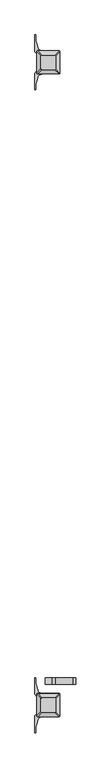
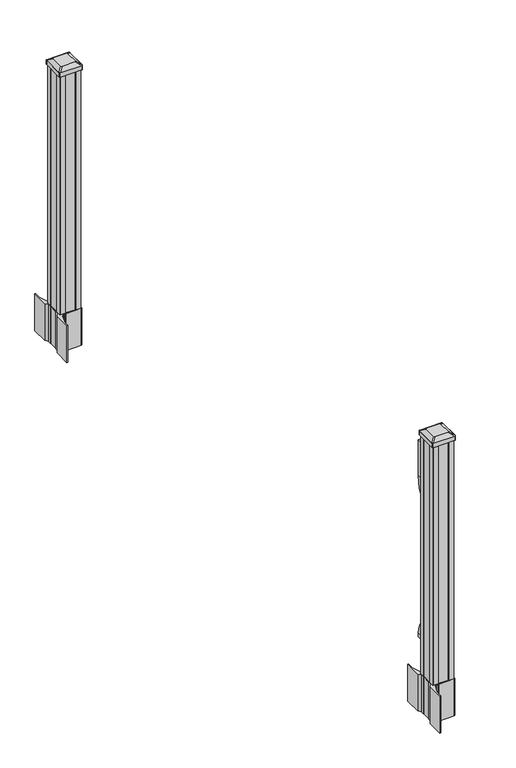
"""IFC4 building model written with IfcOpenShell, lengths in millimetres: railing geometry."""

import ifcopenshell
import ifcopenshell.guid

model = None  # the IFC model being written
_history = None  # IfcOwnerHistory: only IFC2X3 demands one
_inside = {}  # id of a spatial element -> (the spatial element, [elements in it])
_under = {}  # id of a project, library or spatial element -> (it, [spatial elements below it])
_declared = {}  # id of a project -> (the project, [libraries it declares])
_typed = {}  # id of a type object -> (the type object, [elements of that type])
_made_of = {}  # id of a material, layer set ... -> (it, [elements and type objects made of it])


def new_model(schema):
    """Start an empty IFC model of exactly this schema.

    Asked for "IFC4X3", IfcOpenShell would pick the latest addendum, in which some entities
    have other attributes; the version numbers below select the first issue.
    IFC2X3 requires an IfcOwnerHistory on every rooted entity: one is made here for all.
    """
    global model, _history
    if schema == "IFC4X3":
        model = ifcopenshell.file(schema_version=(4, 3, 0, 0))
    else:
        model = ifcopenshell.file(schema=schema)
    _inside.clear()
    _under.clear()
    _declared.clear()
    _typed.clear()
    _made_of.clear()
    _history = None
    if model.schema == "IFC2X3":
        org = make("IfcOrganization", Name="unknown")
        user = make(
            "IfcPersonAndOrganization",
            ThePerson=make("IfcPerson", FamilyName="unknown"),
            TheOrganization=org,
        )
        app = make(
            "IfcApplication",
            ApplicationDeveloper=org,
            Version="unknown",
            ApplicationFullName="unknown",
            ApplicationIdentifier="unknown",
        )
        _history = make(
            "IfcOwnerHistory",
            OwningUser=user,
            OwningApplication=app,
            ChangeAction="ADDED",
            CreationDate=0,
        )
    return model


def make(cls, **values):
    """One entity of the class cls with the attributes given. An attribute that is None is left unset."""
    return model.create_entity(
        cls, **{name: value for name, value in values.items() if value is not None}
    )


def rooted(cls, **values):
    """An entity with a GlobalId (a new one), such as an element, a storey or a relation."""
    return make(cls, GlobalId=ifcopenshell.guid.new(), OwnerHistory=_history, **values)


def si_unit(unit_type, name, prefix=None):
    """IfcSIUnit, for example si_unit("LENGTHUNIT", "METRE", prefix="MILLI")."""
    return make("IfcSIUnit", UnitType=unit_type, Prefix=prefix, Name=name)


def assignment(units):
    """IfcUnitAssignment: the units of a project."""
    return None if units is None else make("IfcUnitAssignment", Units=units)


def point(xyz):
    """IfcCartesianPoint."""
    return None if xyz is None else make("IfcCartesianPoint", Coordinates=xyz)


def direction(xyz):
    """IfcDirection."""
    return None if xyz is None else make("IfcDirection", DirectionRatios=xyz)


def frame(location, z_axis=None, x_axis=None):
    """IfcAxis2Placement3D, a coordinate frame: its origin and axes. An axis left out is left unset."""
    return make(
        "IfcAxis2Placement3D",
        Location=point(location),
        Axis=direction(z_axis),
        RefDirection=direction(x_axis),
    )


def frame_2d(location, x_axis=None):
    """IfcAxis2Placement2D, a coordinate frame in the plane: its origin and x axis."""
    return make(
        "IfcAxis2Placement2D", Location=point(location), RefDirection=direction(x_axis)
    )


def origin():
    """The frame at (0, 0, 0) with its axes left unset."""
    return frame((0.0, 0.0, 0.0))


def origin_with_axes():
    """The frame at (0, 0, 0) with the z axis (0, 0, 1) and the x axis (1, 0, 0) written out."""
    return frame((0.0, 0.0, 0.0), z_axis=(0.0, 0.0, 1.0), x_axis=(1.0, 0.0, 0.0))


def place(relative_to, where):
    """IfcLocalPlacement: puts the frame where relative to a parent placement (None: the world)."""
    return make(
        "IfcLocalPlacement", PlacementRelTo=relative_to, RelativePlacement=where
    )


def context(
    kind, dimensions, precision=None, world=None, true_north=None, identifier=None
):
    """IfcGeometricRepresentationContext, for example the 3D "Model" context."""
    return make(
        "IfcGeometricRepresentationContext",
        ContextIdentifier=identifier,
        ContextType=kind,
        CoordinateSpaceDimension=dimensions,
        Precision=precision,
        WorldCoordinateSystem=world,
        TrueNorth=true_north,
    )


def project(units=None, contexts=None):
    """IfcProject with its units and contexts."""
    return rooted(
        "IfcProject",
        Name="project",
        RepresentationContexts=contexts,
        UnitsInContext=assignment(units),
    )


def spatial(cls, under=None, at=None, **own):
    """A site, building, storey or space (cls), placed at a placement, below another one or the project."""
    s = rooted(cls, ObjectPlacement=at, **own)
    if under is not None:
        _under.setdefault(under.id(), (under, []))[1].append(s)
    return s


def polyline(points):
    """IfcPolyline through the points."""
    return make("IfcPolyline", Points=[point(p) for p in points])


def circle_curve(where, radius):
    """IfcCircle in the frame where."""
    return make("IfcCircle", Position=where, Radius=radius)


def trimmed(basis, trim1, trim2, sense, master):
    """IfcTrimmedCurve: the piece of a basis curve between two trims."""
    return make(
        "IfcTrimmedCurve",
        BasisCurve=basis,
        Trim1=trim1,
        Trim2=trim2,
        SenseAgreement=sense,
        MasterRepresentation=master,
    )


def segment(curve, same_sense, transition):
    """IfcCompositeCurveSegment."""
    return make(
        "IfcCompositeCurveSegment",
        Transition=transition,
        SameSense=same_sense,
        ParentCurve=curve,
    )


def composite_curve(segments, self_intersect=None):
    """IfcCompositeCurve: segments joined end to end."""
    return make("IfcCompositeCurve", Segments=segments, SelfIntersect=self_intersect)


def outline(outer, holes=None, kind="AREA"):
    """IfcArbitraryClosedProfileDef: a profile drawn as a closed curve; with holes, ...WithVoids."""
    if holes is None:
        return make("IfcArbitraryClosedProfileDef", ProfileType=kind, OuterCurve=outer)
    return make(
        "IfcArbitraryProfileDefWithVoids",
        ProfileType=kind,
        OuterCurve=outer,
        InnerCurves=holes,
    )


def extrude(swept, where, along, depth):
    """IfcExtrudedAreaSolid: the profile swept, set in the frame where, extruded along a direction by depth."""
    return make(
        "IfcExtrudedAreaSolid",
        SweptArea=swept,
        Position=where,
        ExtrudedDirection=direction(along),
        Depth=depth,
    )


def shape(context_of_items, identifier, shape_type, items):
    """IfcShapeRepresentation: the items that make up one representation, for example the "Body"."""
    return make(
        "IfcShapeRepresentation",
        ContextOfItems=context_of_items,
        RepresentationIdentifier=identifier,
        RepresentationType=shape_type,
        Items=items,
    )


def source(mapping_origin, context_of_items, identifier, shape_type, items):
    """IfcRepresentationMap: a shape defined once, which mapped items show again and again."""
    return make(
        "IfcRepresentationMap",
        MappingOrigin=mapping_origin,
        MappedRepresentation=shape(context_of_items, identifier, shape_type, items),
    )


def transform(
    local_origin,
    x_axis=None,
    y_axis=None,
    z_axis=None,
    scale=None,
    scale2=None,
    scale3=None,
    uniform=True,
):
    """IfcCartesianTransformationOperator3D, or its non-uniform kind. x_axis, y_axis, z_axis: its Axis1, 2, 3."""
    if uniform:
        return make(
            "IfcCartesianTransformationOperator3D",
            Axis1=direction(x_axis),
            Axis2=direction(y_axis),
            LocalOrigin=point(local_origin),
            Scale=scale,
            Axis3=direction(z_axis),
        )
    return make(
        "IfcCartesianTransformationOperator3DnonUniform",
        Axis1=direction(x_axis),
        Axis2=direction(y_axis),
        LocalOrigin=point(local_origin),
        Scale=scale,
        Axis3=direction(z_axis),
        Scale2=scale2,
        Scale3=scale3,
    )


def mapped(mapping_source, mapping_target):
    """IfcMappedItem: shows the shape of a source again, moved by a transform."""
    return make(
        "IfcMappedItem", MappingSource=mapping_source, MappingTarget=mapping_target
    )


def made_of(thing, what):
    """Note that an element or type object is made of a material, layer set ...; save() writes the relation."""
    if what is not None:
        _made_of.setdefault(what.id(), (what, []))[1].append(thing)
    return thing


def element(
    cls,
    number,
    at=None,
    inside=None,
    cuts=None,
    type_object=None,
    material=None,
    context=None,
    identifier="Body",
    shape_type=None,
    held_by="IfcProductDefinitionShape",
    body=None,
    shapes=None,
    **own,
):
    """One element of the class cls, such as IfcWall. Its Tag is "e" and its number.

    at: its placement. inside: the storey or other place that contains it. cuts: it is an
    opening in that element (IfcRelVoidsElement). A single representation is given by context,
    identifier, shape_type and body (its items); several are given by shapes. held_by: the class
    of the entity that holds the representations. save() writes the other relations.
    """
    e = rooted(cls, Tag="e%d" % number, ObjectPlacement=at, **own)
    if body is not None:
        shapes = [shape(context, identifier, shape_type, body)]
    if shapes is not None:
        e.Representation = make(held_by, Representations=shapes)
    if inside is not None:
        _inside.setdefault(inside.id(), (inside, []))[1].append(e)
    if cuts is not None:
        rooted(
            "IfcRelVoidsElement", RelatingBuildingElement=cuts, RelatedOpeningElement=e
        )
    if type_object is not None:
        _typed.setdefault(type_object.id(), (type_object, []))[1].append(e)
    return made_of(e, material)


def aggregate(whole, parts):
    """IfcRelAggregates: a whole, such as a stair, and the parts it consists of."""
    return rooted("IfcRelAggregates", RelatingObject=whole, RelatedObjects=parts)


def save(model, path):
    """Write the relations noted so far, then the file.

    IfcRelAggregates (storeys below a building ...), IfcRelContainedInSpatialStructure (elements
    in a storey), IfcRelDefinesByType, IfcRelAssociatesMaterial and IfcRelDeclares: one each for
    every whole, place, type object, material and project.
    """
    for whole, parts in _under.values():
        aggregate(whole, parts)
    for where, things in _inside.values():
        rooted(
            "IfcRelContainedInSpatialStructure",
            RelatedElements=things,
            RelatingStructure=where,
        )
    for kind, things in _typed.values():
        rooted("IfcRelDefinesByType", RelatedObjects=things, RelatingType=kind)
    for what, things in _made_of.values():
        rooted("IfcRelAssociatesMaterial", RelatedObjects=things, RelatingMaterial=what)
    for by, libraries in _declared.values():
        rooted("IfcRelDeclares", RelatingContext=by, RelatedDefinitions=libraries)
    model.write(path)


def plane_surface(at):
    """IfcPlane: the flat surface through the origin of the frame at, square to its z axis."""
    return make("IfcPlane", Position=at)


def extruded_surface(curve, direction_of_extrusion, depth):
    """IfcSurfaceOfLinearExtrusion: the curve pushed along a direction by depth."""
    return make(
        "IfcSurfaceOfLinearExtrusion",
        SweptCurve=make("IfcArbitraryOpenProfileDef", ProfileType="CURVE", Curve=curve),
        ExtrudedDirection=direction(direction_of_extrusion),
        Depth=depth,
    )


def advanced_brep(points, edges, surfaces, faces):
    """IfcAdvancedBrep: a solid bounded by faces that lie on surfaces and meet in shared edges.

    An edge is (start, end): straight between two places in points (the first is 0);
    or (start, end, curve); or (start, end, curve, False) where it runs against its curve.
    A face is (place in surfaces, loops), or (place, loops, False) where it looks against
    its surface's normal. A loop lists edges by number (the first is 1), with a minus sign
    where the edge is run from its end to its start. The first loop is the outer one.
    """
    corners = [point(p) for p in points]
    vertices = [make("IfcVertexPoint", VertexGeometry=c) for c in corners]
    made = []
    for start, end, *more in edges:
        made.append(
            make(
                "IfcEdgeCurve",
                EdgeStart=vertices[start],
                EdgeEnd=vertices[end],
                EdgeGeometry=more[0] if more else make("IfcPolyline", Points=[corners[start], corners[end]]),
                SameSense=more[1] if len(more) > 1 else True,
            )
        )
    hull = []
    for where, loops, *sense in faces:
        bounds = []
        for j, loop in enumerate(loops):
            ring = [make("IfcOrientedEdge", EdgeElement=made[abs(k) - 1], Orientation=k > 0) for k in loop]
            bounds.append(
                make(
                    "IfcFaceOuterBound" if j == 0 else "IfcFaceBound",
                    Bound=make("IfcEdgeLoop", EdgeList=ring),
                    Orientation=True,
                )
            )
        hull.append(make("IfcAdvancedFace", Bounds=bounds, FaceSurface=surfaces[where], SameSense=sense[0] if sense else True))
    return make("IfcAdvancedBrep", Outer=make("IfcClosedShell", CfsFaces=hull))


def railing_0a5f95dd(model_context):
    return source(origin(), model_context, "Body", "SolidModel", [
        extrude(outline(composite_curve([segment(polyline([(768.63216, 944.5142498), (914.4, 944.5142498), (914.4, 919.1142498), (768.63216, 919.1142498)]), True, "CONTINUOUS"), segment(trimmed(circle_curve(frame_2d((768.63216, 1291.8142498)), 372.7), [point((768.63216, 919.1142498))], [point((659.6652257, 935.3994673))], False, "CARTESIAN"), True, "CONTINUOUS"), segment(polyline([(659.6652257, 935.3994673), (437.8121964, 1003.2267451)]), True, "CONTINUOUS"), segment(trimmed(circle_curve(frame_2d((359.6612397, 747.6064839)), 267.3), [point((437.8121964, 1003.2267451))], [point((181.5522516, 946.9215067))], True, "CARTESIAN"), True, "CONTINUOUS"), segment(polyline([(181.5522516, 946.9215067), (175.3955374, 941.4198334)]), True, "CONTINUOUS"), segment(trimmed(circle_curve(frame_2d((116.9587313, 1006.8142498)), 87.7), [point((175.3955374, 941.4198334))], [point((116.9587313, 919.1142498))], False, "CARTESIAN"), True, "CONTINUOUS"), segment(polyline([(116.9587313, 919.1142498), (101.5958781, 919.1142498), (101.5958781, 944.5142498), (116.9587313, 944.5142498)]), True, "CONTINUOUS"), segment(trimmed(circle_curve(frame_2d((116.9587313, 1006.8142498)), 62.3), [point((116.9587313, 944.5142498))], [point((158.4708524, 960.3596074))], True, "CARTESIAN"), True, "CONTINUOUS"), segment(polyline([(158.4708524, 960.3596074), (164.6275666, 965.8612807)]), True, "CONTINUOUS"), segment(trimmed(circle_curve(frame_2d((359.6612397, 747.6064839)), 292.7), [point((164.6275666, 965.8612807))], [point((445.2384377, 1027.5168859))], False, "CARTESIAN"), True, "CONTINUOUS"), segment(polyline([(445.2384377, 1027.5168859), (667.091467, 959.6896081)]), True, "CONTINUOUS"), segment(trimmed(circle_curve(frame_2d((768.63216, 1291.8142498)), 347.3), [point((667.091467, 959.6896081))], [point((768.63216, 944.5142498))], True, "CARTESIAN"), True, "CONTINUOUS")], self_intersect=False)), frame((0.0, -48158.0951011, 0.0), z_axis=(0.0, 1.0, 0.0), x_axis=(0.0, 0.0, 1.0)), (0.0, 0.0, 1.0), 25.4),
        extrude(outline(composite_curve([segment(polyline([(974.5497498, -45735.303196), (976.1372498, -45736.065196), (976.1372498, -45758.8671241), (972.7642728, -45762.2401011), (911.304602, -45762.2401011), (911.304602, -45763.1608511), (905.9870581, -45763.1608511), (905.9870581, -45764.6151058), (900.9025284, -45764.6151058), (900.9025284, -45765.8991297), (899.2352561, -45765.8991297)]), True, "CONTINUOUS"), segment(trimmed(circle_curve(frame_2d((899.2352561, -45772.9585895)), 7.0594599), [point((899.2352561, -45765.8991297))], [point((892.4679933, -45770.9485828))], True, "CARTESIAN"), True, "CONTINUOUS"), segment(polyline([(892.4679933, -45770.9485828), (884.593799, -45797.4593119)]), True, "CONTINUOUS"), segment(trimmed(circle_curve(frame_2d((939.3783123, -45813.7313616)), 57.15), [point((884.593799, -45797.4593119))], [point((882.2283123, -45813.7313616))], True, "CARTESIAN"), True, "CONTINUOUS"), segment(polyline([(882.2283123, -45813.7313616), (882.2283123, -45825.7401011), (879.2283123, -45825.7401011), (879.2283123, -45760.6526011), (887.4912498, -45749.3143098), (887.4912498, -45736.065196), (889.0787498, -45735.303196), (889.0787498, -45700.5310063), (887.4912498, -45699.7690063), (887.4912498, -45686.5198925), (879.2283123, -45675.1816011), (879.2283123, -45610.0941011), (882.2283123, -45610.0941011), (882.2283123, -45622.1028407)]), True, "CONTINUOUS"), segment(trimmed(circle_curve(frame_2d((939.3783123, -45622.1028407)), 57.15), [point((882.2283123, -45622.1028407))], [point((884.593799, -45638.3748904))], True, "CARTESIAN"), True, "CONTINUOUS"), segment(polyline([(884.593799, -45638.3748904), (892.4679933, -45664.8856194)]), True, "CONTINUOUS"), segment(trimmed(circle_curve(frame_2d((899.2352561, -45662.8756128)), 7.0594599), [point((892.4679933, -45664.8856194))], [point((899.2352561, -45669.9350726))], True, "CARTESIAN"), True, "CONTINUOUS"), segment(polyline([(899.2352561, -45669.9350726), (900.9025284, -45669.9350726), (900.9025284, -45671.2190965), (905.9870581, -45671.2190965), (905.9870581, -45672.6733511), (911.304602, -45672.6733511), (911.304602, -45673.5941011), (972.7642728, -45673.5941011), (976.1372498, -45676.9670782), (976.1372498, -45699.7690063), (974.5497498, -45700.5310063), (974.5497498, -45735.303196)]), True, "CONTINUOUS")], self_intersect=False), holes=[polyline([(890.5392498, -45678.2296011), (890.5392498, -45757.6046011), (892.1267498, -45759.1921011), (929.0510325, -45759.1921011), (971.5017498, -45759.1921011), (973.0892498, -45757.6046011), (973.0892498, -45678.2296011), (971.5017498, -45676.6421011), (929.0510325, -45676.6421011), (892.1267498, -45676.6421011), (890.5392498, -45678.2296011)])]), frame((0.0, 0.0, -152.4), z_axis=(0.0, 0.0, 1.0), x_axis=(1.0, 0.0, 0.0)), (0.0, 0.0, 1.0), 152.4),
        advanced_brep(
        [(906.0173748, -45746.8889761, 1012.825), (957.6111248, -45746.8889761, 1012.825), (960.7861248, -45743.7139761, 1012.825), (960.7861248, -45692.1202261, 1012.825), (957.6111248, -45688.9452261, 1012.825), (906.0173748, -45688.9452261, 1012.825), (902.8423748, -45692.1202261, 1012.825), (902.8423748, -45743.7139761, 1012.825), (889.7454998, -45763.1608511, 1001.522), (886.5704998, -45759.9858511, 1001.522), (886.5704998, -45675.8483511, 1001.522), (889.7454998, -45672.6733511, 1001.522), (973.8829998, -45672.6733511, 1001.522), (977.0579998, -45675.8483511, 1001.522), (977.0579998, -45759.9858511, 1001.522), (973.8829998, -45763.1608511, 1001.522)],
        [
            (0, 1),
            (1, 2, circle_curve(frame((957.6111248, -45743.7139761, 1012.825), z_axis=(0.0, 0.0, 1.0), x_axis=(0.0, 1.0, 0.0)), 3.175)),
            (2, 3),
            (3, 4, circle_curve(frame((957.6111248, -45692.1202261, 1012.825), z_axis=(0.0, 0.0, 1.0), x_axis=(0.0, 1.0, 0.0)), 3.175)),
            (4, 5),
            (5, 6, circle_curve(frame((906.0173748, -45692.1202261, 1012.825), z_axis=(0.0, 0.0, 1.0), x_axis=(0.0, 1.0, 0.0)), 3.175)),
            (6, 7),
            (7, 0, circle_curve(frame((906.0173748, -45743.7139761, 1012.825), z_axis=(0.0, 0.0, 1.0), x_axis=(0.0, 1.0, 0.0)), 3.175)),
            (8, 9, circle_curve(frame((889.7454998, -45759.9858511, 1001.522), z_axis=(0.0, 0.0, -1.0), x_axis=(0.0, 1.0, 0.0)), 3.175)),
            (9, 10),
            (10, 11, circle_curve(frame((889.7454998, -45675.8483511, 1001.522), z_axis=(0.0, 0.0, -1.0), x_axis=(0.0, 1.0, 0.0)), 3.175)),
            (11, 12),
            (12, 13, circle_curve(frame((973.8829998, -45675.8483511, 1001.522), z_axis=(0.0, 0.0, -1.0), x_axis=(0.0, 1.0, 0.0)), 3.175)),
            (13, 14),
            (14, 15, circle_curve(frame((973.8829998, -45759.9858511, 1001.522), z_axis=(0.0, 0.0, -1.0), x_axis=(0.0, 1.0, 0.0)), 3.175)),
            (15, 8),
            (8, 0),
            (7, 9),
            (6, 10),
            (5, 11),
            (4, 12),
            (3, 13),
            (2, 14),
            (1, 15),
        ],
        [
            plane_surface(frame((931.8142498, -45717.9171011, 1012.825), z_axis=(0.0, 0.0, 1.0), x_axis=(-1.0, 0.0, 0.0))),
            plane_surface(frame((931.8142498, -45717.9171011, 1001.522), z_axis=(0.0, 0.0, -1.0), x_axis=(-1.0, 0.0, 0.0))),
            extruded_surface(trimmed(circle_curve(frame((906.0173748, -45743.7139761, 1012.825), z_axis=(0.0, 0.0, -1.0), x_axis=(0.0, 1.0, 0.0)), 3.175), [point((906.0173748, -45746.8889761, 1012.825))], [point((902.8423748, -45743.7139761, 1012.825))], True, "CARTESIAN"), (-16.271875000000023, -16.271874999998545, -11.302999999999997), 25.637972638865254),
            plane_surface(frame((886.5704998, -45717.9171011, 1001.522), z_axis=(-0.5705009161540779, 0.0, 0.8212969649690408), x_axis=(0.0, 1.0, 0.0))),
            extruded_surface(trimmed(circle_curve(frame((906.0173748, -45692.1202261, 1012.825), z_axis=(0.0, 0.0, -1.0), x_axis=(0.0, 1.0, 0.0)), 3.175), [point((902.8423748, -45692.1202261, 1012.825))], [point((906.0173748, -45688.9452261, 1012.825))], True, "CARTESIAN"), (-16.271875000000023, 16.271874999998545, -11.302999999999997), 25.637972638865254),
            plane_surface(frame((931.8142498, -45672.6733511, 1001.522), z_axis=(0.0, 0.5705009161540291, 0.8212969649690747), x_axis=(1.0, 0.0, 0.0))),
            extruded_surface(trimmed(circle_curve(frame((957.6111248, -45692.1202261, 1012.825), z_axis=(0.0, 0.0, -1.0), x_axis=(0.0, 1.0, 0.0)), 3.175), [point((957.6111248, -45688.9452261, 1012.825))], [point((960.7861248, -45692.1202261, 1012.825))], True, "CARTESIAN"), (16.271875000000023, 16.271874999998545, -11.302999999999997), 25.637972638865254),
            plane_surface(frame((977.0579998, -45717.9171011, 1001.522), z_axis=(0.5705009161540141, 0.0, 0.8212969649690851), x_axis=(0.0, -1.0, 0.0))),
            extruded_surface(trimmed(circle_curve(frame((957.6111248, -45743.7139761, 1012.825), z_axis=(0.0, 0.0, -1.0), x_axis=(0.0, 1.0, 0.0)), 3.175), [point((960.7861248, -45743.7139761, 1012.825))], [point((957.6111248, -45746.8889761, 1012.825))], True, "CARTESIAN"), (16.271875000000023, -16.271874999998545, -11.302999999999997), 25.637972638865254),
            plane_surface(frame((931.8142498, -45763.1608511, 1001.522), z_axis=(0.0, -0.570500916154034, 0.8212969649690713), x_axis=(-1.0, 0.0, 0.0))),
        ],
        [
            (0, [[1, 2, 3, 4, 5, 6, 7, 8]]),
            (1, [[9, 10, 11, 12, 13, 14, 15, 16]]),
            (2, [[17, -8, 18, -9]]),
            (3, [[-18, -7, 19, -10]]),
            (4, [[-19, -6, 20, -11]]),
            (5, [[-20, -5, 21, -12]]),
            (6, [[-21, -4, 22, -13]]),
            (7, [[-22, -3, 23, -14]]),
            (8, [[-23, -2, 24, -15]]),
            (9, [[-24, -1, -17, -16]]),
        ],
    ),
        extrude(outline(composite_curve([segment(trimmed(circle_curve(frame_2d((889.7454998, -45759.9858511)), 3.175), [point((889.7454998, -45763.1608511))], [point((886.5704998, -45759.9858511))], False, "CARTESIAN"), True, "CONTINUOUS"), segment(polyline([(886.5704998, -45759.9858511), (886.5704998, -45675.8483511)]), True, "CONTINUOUS"), segment(trimmed(circle_curve(frame_2d((889.7454998, -45675.8483511)), 3.175), [point((886.5704998, -45675.8483511))], [point((889.7454998, -45672.6733511))], False, "CARTESIAN"), True, "CONTINUOUS"), segment(polyline([(889.7454998, -45672.6733511), (973.8829998, -45672.6733511)]), True, "CONTINUOUS"), segment(trimmed(circle_curve(frame_2d((973.8829998, -45675.8483511)), 3.175), [point((973.8829998, -45672.6733511))], [point((977.0579998, -45675.8483511))], False, "CARTESIAN"), True, "CONTINUOUS"), segment(polyline([(977.0579998, -45675.8483511), (977.0579998, -45759.9858511)]), True, "CONTINUOUS"), segment(trimmed(circle_curve(frame_2d((973.8829998, -45759.9858511)), 3.175), [point((977.0579998, -45759.9858511))], [point((973.8829998, -45763.1608511))], False, "CARTESIAN"), True, "CONTINUOUS"), segment(polyline([(973.8829998, -45763.1608511), (889.7454998, -45763.1608511)]), True, "CONTINUOUS")], self_intersect=False)), frame((0.0, 0.0, 984.25), z_axis=(0.0, 0.0, 1.0), x_axis=(1.0, 0.0, 0.0)), (0.0, 0.0, 1.0), 17.272),
        extrude(outline(polyline([(892.1267498, -45759.1921011), (890.5392498, -45757.6046011), (890.5392498, -45737.9831011), (892.1267498, -45737.2211011), (892.1267498, -45698.6131011), (890.5392498, -45697.8511011), (890.5392498, -45678.2296011), (892.1267498, -45676.6421011), (911.7482498, -45676.6421011), (912.5102498, -45678.2296011), (951.1182498, -45678.2296011), (951.8802498, -45676.6421011), (971.5017498, -45676.6421011), (973.0892498, -45678.2296011), (973.0892498, -45697.8511011), (971.5017498, -45698.6131011), (971.5017498, -45737.2211011), (973.0892498, -45737.9831011), (973.0892498, -45757.6046011), (971.5017498, -45759.1921011), (951.8802498, -45759.1921011), (951.1182498, -45757.6046011), (912.5102498, -45757.6046011), (911.7482498, -45759.1921011), (892.1267498, -45759.1921011)])), origin_with_axes(), (0.0, 0.0, 1.0), 984.25),
        extrude(outline(composite_curve([segment(polyline([(974.5497498, -48256.507196), (976.1372498, -48257.269196), (976.1372498, -48280.0711241), (972.7642728, -48283.4441011), (911.304602, -48283.4441011), (911.304602, -48284.3648511), (905.9870581, -48284.3648511), (905.9870581, -48285.8191058), (900.9025284, -48285.8191058), (900.9025284, -48287.1031297), (899.2352561, -48287.1031297)]), True, "CONTINUOUS"), segment(trimmed(circle_curve(frame_2d((899.2352561, -48294.1625895)), 7.0594599), [point((899.2352561, -48287.1031297))], [point((892.4679933, -48292.1525828))], True, "CARTESIAN"), True, "CONTINUOUS"), segment(polyline([(892.4679933, -48292.1525828), (884.593799, -48318.6633119)]), True, "CONTINUOUS"), segment(trimmed(circle_curve(frame_2d((939.3783123, -48334.9353616)), 57.15), [point((884.593799, -48318.6633119))], [point((882.2283123, -48334.9353616))], True, "CARTESIAN"), True, "CONTINUOUS"), segment(polyline([(882.2283123, -48334.9353616), (882.2283123, -48346.9441011), (879.2283123, -48346.9441011), (879.2283123, -48281.8566011), (887.4912498, -48270.5183098), (887.4912498, -48257.269196), (889.0787498, -48256.507196), (889.0787498, -48221.7350063), (887.4912498, -48220.9730063), (887.4912498, -48207.7238925), (879.2283123, -48196.3856011), (879.2283123, -48131.2981011), (882.2283123, -48131.2981011), (882.2283123, -48143.3068407)]), True, "CONTINUOUS"), segment(trimmed(circle_curve(frame_2d((939.3783123, -48143.3068407)), 57.15), [point((882.2283123, -48143.3068407))], [point((884.593799, -48159.5788904))], True, "CARTESIAN"), True, "CONTINUOUS"), segment(polyline([(884.593799, -48159.5788904), (892.4679933, -48186.0896194)]), True, "CONTINUOUS"), segment(trimmed(circle_curve(frame_2d((899.2352561, -48184.0796128)), 7.0594599), [point((892.4679933, -48186.0896194))], [point((899.2352561, -48191.1390726))], True, "CARTESIAN"), True, "CONTINUOUS"), segment(polyline([(899.2352561, -48191.1390726), (900.9025284, -48191.1390726), (900.9025284, -48192.4230965), (905.9870581, -48192.4230965), (905.9870581, -48193.8773511), (911.304602, -48193.8773511), (911.304602, -48194.7981011), (972.7642728, -48194.7981011), (976.1372498, -48198.1710782), (976.1372498, -48220.9730063), (974.5497498, -48221.7350063), (974.5497498, -48256.507196)]), True, "CONTINUOUS")], self_intersect=False), holes=[polyline([(890.5392498, -48199.4336011), (890.5392498, -48278.8086011), (892.1267498, -48280.3961011), (929.0510325, -48280.3961011), (971.5017498, -48280.3961011), (973.0892498, -48278.8086011), (973.0892498, -48199.4336011), (971.5017498, -48197.8461011), (929.0510325, -48197.8461011), (892.1267498, -48197.8461011), (890.5392498, -48199.4336011)])]), frame((0.0, 0.0, -152.4), z_axis=(0.0, 0.0, 1.0), x_axis=(1.0, 0.0, 0.0)), (0.0, 0.0, 1.0), 152.4),
        advanced_brep(
        [(906.0173748, -48268.0929761, 1012.825), (957.6111248, -48268.0929761, 1012.825), (960.7861248, -48264.9179761, 1012.825), (960.7861248, -48213.3242261, 1012.825), (957.6111248, -48210.1492261, 1012.825), (906.0173748, -48210.1492261, 1012.825), (902.8423748, -48213.3242261, 1012.825), (902.8423748, -48264.9179761, 1012.825), (889.7454998, -48284.3648511, 1001.522), (886.5704998, -48281.1898511, 1001.522), (886.5704998, -48197.0523511, 1001.522), (889.7454998, -48193.8773511, 1001.522), (973.8829998, -48193.8773511, 1001.522), (977.0579998, -48197.0523511, 1001.522), (977.0579998, -48281.1898511, 1001.522), (973.8829998, -48284.3648511, 1001.522)],
        [
            (0, 1),
            (1, 2, circle_curve(frame((957.6111248, -48264.9179761, 1012.825), z_axis=(0.0, 0.0, 1.0), x_axis=(0.0, 1.0, 0.0)), 3.175)),
            (2, 3),
            (3, 4, circle_curve(frame((957.6111248, -48213.3242261, 1012.825), z_axis=(0.0, 0.0, 1.0), x_axis=(0.0, 1.0, 0.0)), 3.175)),
            (4, 5),
            (5, 6, circle_curve(frame((906.0173748, -48213.3242261, 1012.825), z_axis=(0.0, 0.0, 1.0), x_axis=(0.0, 1.0, 0.0)), 3.175)),
            (6, 7),
            (7, 0, circle_curve(frame((906.0173748, -48264.9179761, 1012.825), z_axis=(0.0, 0.0, 1.0), x_axis=(0.0, 1.0, 0.0)), 3.175)),
            (8, 9, circle_curve(frame((889.7454998, -48281.1898511, 1001.522), z_axis=(0.0, 0.0, -1.0), x_axis=(0.0, 1.0, 0.0)), 3.175)),
            (9, 10),
            (10, 11, circle_curve(frame((889.7454998, -48197.0523511, 1001.522), z_axis=(0.0, 0.0, -1.0), x_axis=(0.0, 1.0, 0.0)), 3.175)),
            (11, 12),
            (12, 13, circle_curve(frame((973.8829998, -48197.0523511, 1001.522), z_axis=(0.0, 0.0, -1.0), x_axis=(0.0, 1.0, 0.0)), 3.175)),
            (13, 14),
            (14, 15, circle_curve(frame((973.8829998, -48281.1898511, 1001.522), z_axis=(0.0, 0.0, -1.0), x_axis=(0.0, 1.0, 0.0)), 3.175)),
            (15, 8),
            (8, 0),
            (7, 9),
            (6, 10),
            (5, 11),
            (4, 12),
            (3, 13),
            (2, 14),
            (1, 15),
        ],
        [
            plane_surface(frame((931.8142498, -48239.1211011, 1012.825), z_axis=(0.0, 0.0, 1.0), x_axis=(-1.0, 0.0, 0.0))),
            plane_surface(frame((931.8142498, -48239.1211011, 1001.522), z_axis=(0.0, 0.0, -1.0), x_axis=(-1.0, 0.0, 0.0))),
            extruded_surface(trimmed(circle_curve(frame((906.0173748, -48264.9179761, 1012.825), z_axis=(0.0, 0.0, -1.0), x_axis=(0.0, 1.0, 0.0)), 3.175), [point((906.0173748, -48268.0929761, 1012.825))], [point((902.8423748, -48264.9179761, 1012.825))], True, "CARTESIAN"), (-16.271875000000023, -16.27187500000582, -11.302999999999997), 25.637972638869872),
            plane_surface(frame((886.5704998, -48239.1211011, 1001.522), z_axis=(-0.5705009161540779, 0.0, 0.8212969649690408), x_axis=(0.0, 1.0, 0.0))),
            extruded_surface(trimmed(circle_curve(frame((906.0173748, -48213.3242261, 1012.825), z_axis=(0.0, 0.0, -1.0), x_axis=(0.0, 1.0, 0.0)), 3.175), [point((902.8423748, -48213.3242261, 1012.825))], [point((906.0173748, -48210.1492261, 1012.825))], True, "CARTESIAN"), (-16.271875000000023, 16.271874999998545, -11.302999999999997), 25.637972638865254),
            plane_surface(frame((931.8142498, -48193.8773511, 1001.522), z_axis=(0.0, 0.5705009161540291, 0.8212969649690747), x_axis=(1.0, 0.0, 0.0))),
            extruded_surface(trimmed(circle_curve(frame((957.6111248, -48213.3242261, 1012.825), z_axis=(0.0, 0.0, -1.0), x_axis=(0.0, 1.0, 0.0)), 3.175), [point((957.6111248, -48210.1492261, 1012.825))], [point((960.7861248, -48213.3242261, 1012.825))], True, "CARTESIAN"), (16.271875000000023, 16.271874999998545, -11.302999999999997), 25.637972638865254),
            plane_surface(frame((977.0579998, -48239.1211011, 1001.522), z_axis=(0.5705009161540141, 0.0, 0.8212969649690851), x_axis=(0.0, -1.0, 0.0))),
            extruded_surface(trimmed(circle_curve(frame((957.6111248, -48264.9179761, 1012.825), z_axis=(0.0, 0.0, -1.0), x_axis=(0.0, 1.0, 0.0)), 3.175), [point((960.7861248, -48264.9179761, 1012.825))], [point((957.6111248, -48268.0929761, 1012.825))], True, "CARTESIAN"), (16.271875000000023, -16.27187500000582, -11.302999999999997), 25.637972638869872),
            plane_surface(frame((931.8142498, -48284.3648511, 1001.522), z_axis=(0.0, -0.570500916154034, 0.8212969649690713), x_axis=(-1.0, 0.0, 0.0))),
        ],
        [
            (0, [[1, 2, 3, 4, 5, 6, 7, 8]]),
            (1, [[9, 10, 11, 12, 13, 14, 15, 16]]),
            (2, [[17, -8, 18, -9]]),
            (3, [[-18, -7, 19, -10]]),
            (4, [[-19, -6, 20, -11]]),
            (5, [[-20, -5, 21, -12]]),
            (6, [[-21, -4, 22, -13]]),
            (7, [[-22, -3, 23, -14]]),
            (8, [[-23, -2, 24, -15]]),
            (9, [[-24, -1, -17, -16]]),
        ],
    ),
        extrude(outline(composite_curve([segment(trimmed(circle_curve(frame_2d((889.7454998, -48281.1898511)), 3.175), [point((889.7454998, -48284.3648511))], [point((886.5704998, -48281.1898511))], False, "CARTESIAN"), True, "CONTINUOUS"), segment(polyline([(886.5704998, -48281.1898511), (886.5704998, -48197.0523511)]), True, "CONTINUOUS"), segment(trimmed(circle_curve(frame_2d((889.7454998, -48197.0523511)), 3.175), [point((886.5704998, -48197.0523511))], [point((889.7454998, -48193.8773511))], False, "CARTESIAN"), True, "CONTINUOUS"), segment(polyline([(889.7454998, -48193.8773511), (973.8829998, -48193.8773511)]), True, "CONTINUOUS"), segment(trimmed(circle_curve(frame_2d((973.8829998, -48197.0523511)), 3.175), [point((973.8829998, -48193.8773511))], [point((977.0579998, -48197.0523511))], False, "CARTESIAN"), True, "CONTINUOUS"), segment(polyline([(977.0579998, -48197.0523511), (977.0579998, -48281.1898511)]), True, "CONTINUOUS"), segment(trimmed(circle_curve(frame_2d((973.8829998, -48281.1898511)), 3.175), [point((977.0579998, -48281.1898511))], [point((973.8829998, -48284.3648511))], False, "CARTESIAN"), True, "CONTINUOUS"), segment(polyline([(973.8829998, -48284.3648511), (889.7454998, -48284.3648511)]), True, "CONTINUOUS")], self_intersect=False)), frame((0.0, 0.0, 984.25), z_axis=(0.0, 0.0, 1.0), x_axis=(1.0, 0.0, 0.0)), (0.0, 0.0, 1.0), 17.272),
        extrude(outline(polyline([(892.1267498, -48280.3961011), (890.5392498, -48278.8086011), (890.5392498, -48259.1871011), (892.1267498, -48258.4251011), (892.1267498, -48219.8171011), (890.5392498, -48219.0551011), (890.5392498, -48199.4336011), (892.1267498, -48197.8461011), (911.7482498, -48197.8461011), (912.5102498, -48199.4336011), (951.1182498, -48199.4336011), (951.8802498, -48197.8461011), (971.5017498, -48197.8461011), (973.0892498, -48199.4336011), (973.0892498, -48219.0551011), (971.5017498, -48219.8171011), (971.5017498, -48258.4251011), (973.0892498, -48259.1871011), (973.0892498, -48278.8086011), (971.5017498, -48280.3961011), (951.8802498, -48280.3961011), (951.1182498, -48278.8086011), (912.5102498, -48278.8086011), (911.7482498, -48280.3961011), (892.1267498, -48280.3961011)])), origin_with_axes(), (0.0, 0.0, 1.0), 984.25),
    ])


if __name__ == "__main__":
    model = new_model("IFC4")
    model_context = context("Model", 3, world=origin())
    ifc_project = project(units=[si_unit("LENGTHUNIT", "METRE", prefix="MILLI")], contexts=[model_context])
    site = spatial("IfcSite", under=ifc_project)
    building = spatial("IfcBuilding", under=site)
    placement = place(None, origin())
    railing_shape = railing_0a5f95dd(model_context)
    element("IfcRailing", 1, at=placement, inside=building, context=model_context, shape_type="MappedRepresentation", body=[
        mapped(railing_shape, transform((0.0, 0.0, 0.0), x_axis=(1.0, 0.0, 0.0), y_axis=(0.0, 1.0, 0.0), z_axis=(0.0, 0.0, 1.0))),
    ])
    save(model, "model.ifc")
